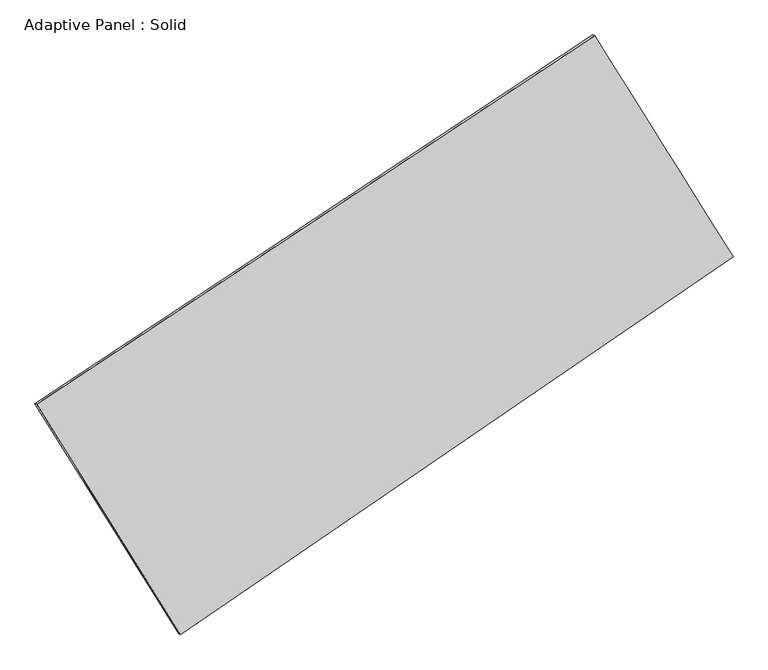
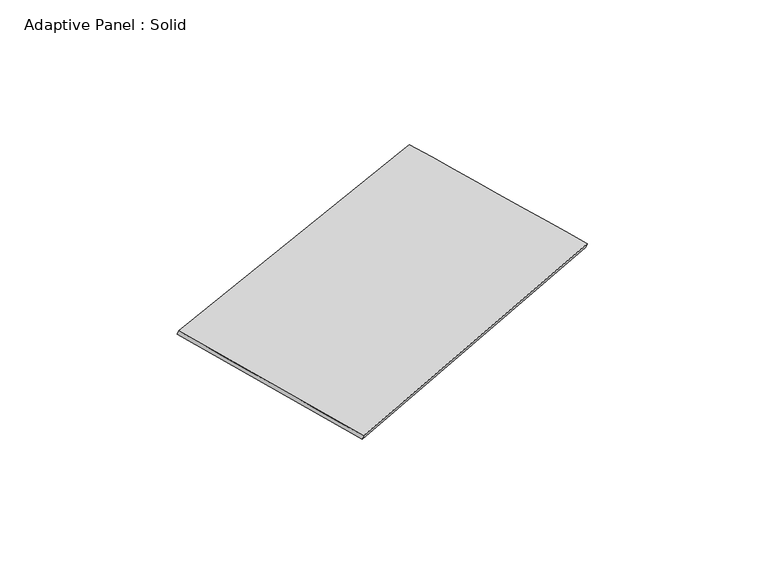
"""IFC4 building model written with IfcOpenShell, lengths in millimetres: plate geometry, Adaptive Panel : Solid."""

from ifc_helpers import new_model, si_unit, frame, origin, place, context, project, spatial, source, transform, mapped, element, save
from ifc_brep_helpers import plane_surface, spline_surface, advanced_brep


def adaptive_panel_solid_22c1b8b1(model_context):
    return source(origin(), model_context, "Body", "AdvancedBrep", [
        advanced_brep(
        [(1152.8790618, 2470.2649513, 653.2120297), (-3674.2183346, -718.6002477, 1729.5820957), (-3659.5519788, -724.9803412, 1776.9550037), (1167.5454177, 2463.8848578, 700.5849377), (-2431.8887775, -2710.0066814, 1065.6042403), (-2417.2224217, -2716.3867749, 1112.9771483), (2349.9374722, 558.0934049, 36.7241545), (2364.603828, 551.7133115, 84.0970626)],
        [
            (0, 1),
            (1, 2),
            (2, 3),
            (3, 0),
            (1, 4),
            (4, 5),
            (5, 2),
            (4, 6),
            (6, 7),
            (7, 5),
            (6, 0),
            (3, 7),
        ],
        [
            plane_surface(frame((-1260.6696364, 875.8323518, 1191.3970627), z_axis=(-0.49008994622332563, 0.8308508139360784, 0.26362619291825773), x_axis=(-0.8202957413479501, -0.5419017532966186, 0.1829136039240054))),
            plane_surface(frame((-3053.0535561, -1714.3034645, 1397.593168), z_axis=(-0.8082468945543799, -0.5623982441646609, 0.17448545040692542), x_axis=(0.5093076503700903, -0.8164005483549431, -0.272205550862296))),
            plane_surface(frame((-40.9756527, -1075.9566382, 551.1641974), z_axis=(0.504047212570583, -0.8214718381944333, -0.26668413254876033), x_axis=(0.8128768862598397, 0.5555540673042294, -0.17490239016730347))),
            plane_surface(frame((1751.408267, 1514.1791781, 344.9680921), z_axis=(0.8083156621951315, 0.5622881954942384, -0.17452156158446186), x_axis=(-0.5118530017333071, 0.8176298979296879, 0.26360549051203636))),
            spline_surface(1, 1, [[(-3659.5519788, -724.9803412, 1776.9550037), (1167.5454177, 2463.8848578, 700.5849377)], [(-2417.2224217, -2716.3867749, 1112.9771483), (2364.603828, 551.7133115, 84.0970626)]], [2, 2], [2, 2], [0.0, 1.0], [0.0, 1.0]),
            spline_surface(1, 1, [[(2349.9374722, 558.0934049, 36.7241545), (1152.8790618, 2470.2649513, 653.2120297)], [(-2431.8887775, -2710.0066814, 1065.6042403), (-3674.2183346, -718.6002477, 1729.5820957)]], [2, 2], [2, 2], [0.0, 1.0], [0.0, 1.0]),
        ],
        [
            (0, [[1, 2, 3, 4]]),
            (1, [[5, 6, 7, -2]]),
            (2, [[8, 9, 10, -6]]),
            (3, [[11, -4, 12, -9]]),
            (4, [[-3, -7, -10, -12]]),
            (5, [[-11, -8, -5, -1]]),
        ],
    ),
    ])


if __name__ == "__main__":
    model = new_model("IFC4")
    model_context = context("Model", 3, world=origin())
    ifc_project = project(units=[si_unit("LENGTHUNIT", "METRE", prefix="MILLI")], contexts=[model_context])
    site = spatial("IfcSite", under=ifc_project)
    building = spatial("IfcBuilding", under=site)
    placement = place(None, origin())
    adaptive_panel_solid_shape = adaptive_panel_solid_22c1b8b1(model_context)
    element("IfcPlate", 1, ObjectType="Adaptive Panel : Solid", at=placement, inside=building, context=model_context, shape_type="MappedRepresentation", body=[
        mapped(adaptive_panel_solid_shape, transform((0.0, 0.0, 0.0), x_axis=(1.0, 0.0, 0.0), y_axis=(0.0, 1.0, 0.0), z_axis=(0.0, 0.0, 1.0))),
    ])
    save(model, "model.ifc")
